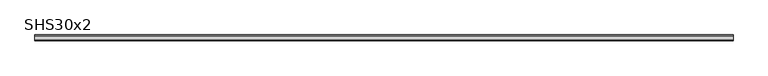
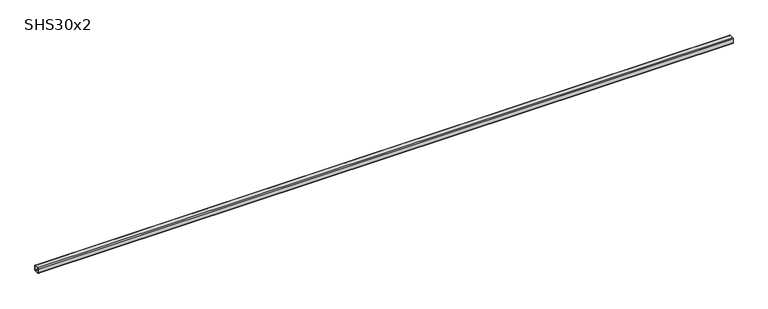
"""IFC4 building model written with IfcOpenShell, lengths in millimetres: beam geometry, SHS30x2."""

from ifc_helpers import new_model, si_unit, point, frame, frame_2d, origin, place, context, project, spatial, polyline, circle_curve, trimmed, segment, composite_curve, outline, extrude, source, transform, mapped, element, save


def shs30x2_3a7ebf08(model_context):
    return source(origin(), model_context, "Body", "SweptSolid", [
        extrude(outline(composite_curve([segment(polyline([(15.0, 11.0), (15.0, -11.0)]), True, "CONTINUOUS"), segment(trimmed(circle_curve(frame_2d((11.0, -11.0)), 4.0), [point((15.0, -11.0))], [point((11.0, -15.0))], False, "CARTESIAN"), True, "CONTINUOUS"), segment(polyline([(11.0, -15.0), (-11.0, -15.0)]), True, "CONTINUOUS"), segment(trimmed(circle_curve(frame_2d((-11.0, -11.0)), 4.0), [point((-11.0, -15.0))], [point((-15.0, -11.0))], False, "CARTESIAN"), True, "CONTINUOUS"), segment(polyline([(-15.0, -11.0), (-15.0, 11.0)]), True, "CONTINUOUS"), segment(trimmed(circle_curve(frame_2d((-11.0, 11.0)), 4.0), [point((-15.0, 11.0))], [point((-11.0, 15.0))], False, "CARTESIAN"), True, "CONTINUOUS"), segment(polyline([(-11.0, 15.0), (11.0, 15.0)]), True, "CONTINUOUS"), segment(trimmed(circle_curve(frame_2d((11.0, 11.0)), 4.0), [point((11.0, 15.0))], [point((15.0, 11.0))], False, "CARTESIAN"), True, "CONTINUOUS")], self_intersect=False), holes=[composite_curve([segment(trimmed(circle_curve(frame_2d((-11.0, 11.0)), 2.0), [point((-11.0, 13.0))], [point((-13.0, 11.0))], True, "CARTESIAN"), True, "CONTINUOUS"), segment(polyline([(-13.0, 11.0), (-13.0, -11.0)]), True, "CONTINUOUS"), segment(trimmed(circle_curve(frame_2d((-11.0, -11.0)), 2.0), [point((-13.0, -11.0))], [point((-11.0, -13.0))], True, "CARTESIAN"), True, "CONTINUOUS"), segment(polyline([(-11.0, -13.0), (11.0, -13.0)]), True, "CONTINUOUS"), segment(trimmed(circle_curve(frame_2d((11.0, -11.0)), 2.0), [point((11.0, -13.0))], [point((13.0, -11.0))], True, "CARTESIAN"), True, "CONTINUOUS"), segment(polyline([(13.0, -11.0), (13.0, 11.0)]), True, "CONTINUOUS"), segment(trimmed(circle_curve(frame_2d((11.0, 11.0)), 2.0), [point((13.0, 11.0))], [point((11.0, 13.0))], True, "CARTESIAN"), True, "CONTINUOUS"), segment(polyline([(11.0, 13.0), (-11.0, 13.0)]), True, "CONTINUOUS")], self_intersect=False)]), frame((-1814.5, 0.0, 0.0), z_axis=(1.0, 0.0, 0.0), x_axis=(0.0, 1.0, 0.0)), (0.0, 0.0, 1.0), 3642.0),
    ])


if __name__ == "__main__":
    model = new_model("IFC4")
    model_context = context("Model", 3, world=origin())
    ifc_project = project(units=[si_unit("LENGTHUNIT", "METRE", prefix="MILLI")], contexts=[model_context])
    site = spatial("IfcSite", under=ifc_project)
    building = spatial("IfcBuilding", under=site)
    placement = place(None, origin())
    shs30x2_shape = shs30x2_3a7ebf08(model_context)
    element("IfcBeam", 1, ObjectType="SHS30x2", at=placement, inside=building, context=model_context, shape_type="MappedRepresentation", body=[
        mapped(shs30x2_shape, transform((0.0, 0.0, 0.0), x_axis=(1.0, 0.0, 0.0), y_axis=(0.0, 1.0, 0.0), z_axis=(0.0, 0.0, 1.0))),
    ])
    save(model, "model.ifc")
